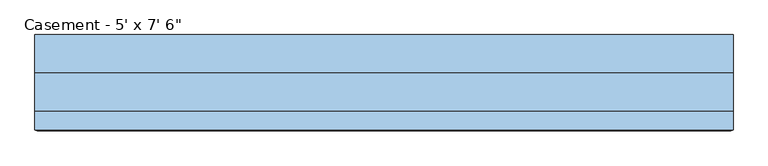
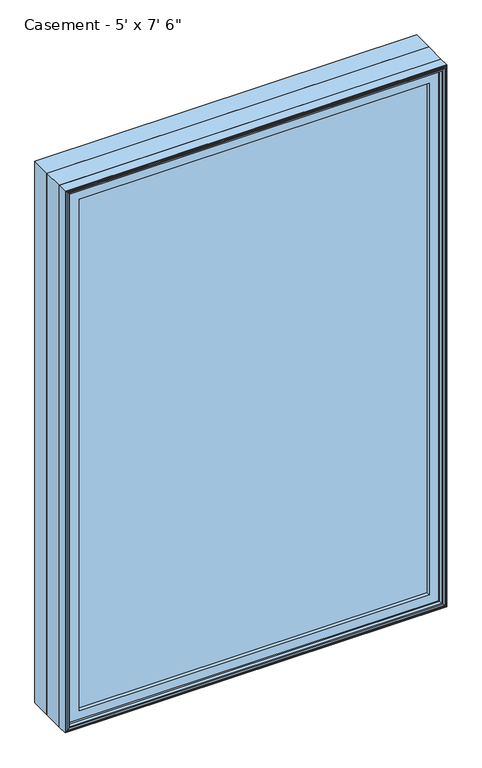
"""IFC4 building model written with IfcOpenShell, lengths in millimetres: window geometry."""

from ifc_helpers import new_model, si_unit, frame, origin, place, context, project, spatial, polyline, outline, extrude, faceted_brep, source, transform, mapped, element, save


def window_e8a8de13(model_context):
    return source(origin(), model_context, "Body", "SolidModel", [
        extrude(outline(polyline([(710.009375, -74.0770729), (710.009375, -91.5395729), (-709.9849783, -91.5395729), (-709.9849783, -74.0770729), (710.009375, -74.0770729)])), frame((0.0, 0.0, 971.5119), z_axis=(0.0, 0.0, 1.0), x_axis=(1.0, 0.0, 0.0)), (0.0, 0.0, 1.0), 2171.7762),
        extrude(outline(polyline([(3200.4, -762.0), (914.4, -762.0), (914.4, 762.0), (3200.4, 762.0), (3200.4, -762.0)]), holes=[polyline([(930.275, -746.125), (3184.525, -746.125), (3184.525, 746.125), (930.275, 746.125), (930.275, -746.125)])]), frame((0.0, 6.1515625, 0.0), z_axis=(0.0, 1.0, 0.0), x_axis=(0.0, 0.0, 1.0)), (0.0, 0.0, 1.0), 82.7484375),
        faceted_brep([(-709.9849783, -74.0770729, 966.4150217), (-709.9849783, -74.0770729, 3148.3849783), (-709.9849783, -91.5395729, 3148.3849783), (-709.9849783, -91.5395729, 966.4150217), (-698.3015625, -72.8793953, 978.0984375), (-698.3015625, -72.8793953, 3136.7015625), (-698.3015625, -74.0770729, 3136.7015625), (-698.3015625, -74.0770729, 978.0984375), (-701.0498111, -59.9499024, 975.3501889), (-701.0498111, -59.9499024, 3139.4498111), (-729.0341084, -91.5395729, 947.3658916), (-729.0341084, -91.5395729, 3167.4341084), (-729.0341084, -59.9499024, 3167.4341084), (-729.0341084, -59.9499024, 947.3658916), (709.9849783, -74.0770729, 3148.3849783), (709.9849783, -91.5395729, 3148.3849783), (698.3015625, -72.8793953, 3136.7015625), (698.3015625, -74.0770729, 3136.7015625), (701.0498111, -59.9499024, 3139.4498111), (729.0341084, -91.5395729, 3167.4341084), (729.0341084, -59.9499024, 3167.4341084), (709.9849783, -74.0770729, 966.4150217), (709.9849783, -91.5395729, 966.4150217), (698.3015625, -72.8793953, 978.0984375), (698.3015625, -74.0770729, 978.0984375), (701.0498111, -59.9499024, 975.3501889), (729.0341084, -91.5395729, 947.3658916), (729.0341084, -59.9499024, 947.3658916)], [[[0, 1, 2, 3]], [[4, 5, 6, 7]], [[8, 9, 5, 4]], [[10, 11, 12, 13]], [[1, 14, 15, 2]], [[5, 16, 17, 6]], [[9, 18, 16, 5]], [[11, 19, 20, 12]], [[14, 21, 22, 15]], [[16, 23, 24, 17]], [[18, 25, 23, 16]], [[19, 26, 27, 20]], [[11, 10, 26, 19], [3, 2, 15, 22]], [[21, 0, 3, 22]], [[1, 0, 21, 14], [7, 6, 17, 24]], [[23, 4, 7, 24]], [[25, 8, 4, 23]], [[13, 12, 20, 27], [9, 8, 25, 18]], [[26, 10, 13, 27]]]),
        extrude(outline(polyline([(3173.5033048, -735.1033048), (941.2966952, -735.1033048), (941.2966952, 735.1033048), (3173.5033048, 735.1033048), (3173.5033048, -735.1033048)]), holes=[polyline([(978.0984375, -698.3015625), (3136.7015625, -698.3015625), (3136.7015625, 698.3015625), (978.0984375, 698.3015625), (978.0984375, -698.3015625)])]), frame((0.0, -106.9883505, 0.0), z_axis=(0.0, 1.0, 0.0), x_axis=(0.0, 0.0, 1.0)), (0.0, 0.0, 1.0), 15.4487776),
        faceted_brep([(-747.4220166, -119.2736375, 928.9779834), (-747.4220166, -119.2736375, 3185.8220166), (-752.755345, -120.8484375, 3191.155345), (-752.755345, -120.8484375, 923.644655), (-742.5526868, -104.4927591, 933.8473132), (-742.5526868, -104.4927591, 3180.9526868), (-742.5526868, -119.2736375, 3180.9526868), (-742.5526868, -119.2736375, 933.8473132), (-741.3244, -90.3195591, 935.0756), (-741.3244, -90.3195591, 3179.7244), (-741.3244, -79.171779, 935.0756), (-741.3244, -79.171779, 3179.7244), (-762.0, -119.6932773, 914.4), (-762.0, -119.6932773, 3200.4), (-762.0, -79.171779, 3200.4), (-762.0, -79.171779, 914.4), (-759.714, -111.1241649, 916.686), (-759.714, -111.1241649, 3198.114), (-759.714, -119.6932773, 3198.114), (-759.714, -119.6932773, 916.686), (-756.9962, -120.8484375, 919.4038), (-756.9962, -120.8484375, 3195.3962), (-756.9962, -111.1241649, 3195.3962), (-756.9962, -111.1241649, 919.4038), (747.4220166, -119.2736375, 3185.8220166), (752.755345, -120.8484375, 3191.155345), (742.5526868, -104.4927591, 3180.9526868), (742.5526868, -119.2736375, 3180.9526868), (741.3244, -90.3195591, 3179.7244), (741.3244, -79.171779, 3179.7244), (762.0, -119.6932773, 3200.4), (762.0, -79.171779, 3200.4), (759.714, -111.1241649, 3198.114), (759.714, -119.6932773, 3198.114), (756.9962, -120.8484375, 3195.3962), (756.9962, -111.1241649, 3195.3962), (747.4220166, -119.2736375, 928.9779834), (752.755345, -120.8484375, 923.644655), (742.5526868, -104.4927591, 933.8473132), (742.5526868, -119.2736375, 933.8473132), (741.3244, -90.3195591, 935.0756), (741.3244, -79.171779, 935.0756), (762.0, -119.6932773, 914.4), (762.0, -79.171779, 914.4), (759.714, -111.1241649, 916.686), (759.714, -119.6932773, 916.686), (756.9962, -120.8484375, 919.4038), (756.9962, -111.1241649, 919.4038)], [[[0, 1, 2, 3]], [[4, 5, 6, 7]], [[8, 9, 5, 4]], [[10, 11, 9, 8]], [[12, 13, 14, 15]], [[16, 17, 18, 19]], [[20, 21, 22, 23]], [[1, 24, 25, 2]], [[5, 26, 27, 6]], [[9, 28, 26, 5]], [[11, 29, 28, 9]], [[13, 30, 31, 14]], [[17, 32, 33, 18]], [[21, 34, 35, 22]], [[24, 36, 37, 25]], [[26, 38, 39, 27]], [[28, 40, 38, 26]], [[29, 41, 40, 28]], [[30, 42, 43, 31]], [[32, 44, 45, 33]], [[34, 46, 47, 35]], [[36, 0, 3, 37]], [[1, 0, 36, 24], [7, 6, 27, 39]], [[38, 4, 7, 39]], [[40, 8, 4, 38]], [[41, 10, 8, 40]], [[15, 14, 31, 43], [11, 10, 41, 29]], [[42, 12, 15, 43]], [[13, 12, 42, 30], [19, 18, 33, 45]], [[44, 16, 19, 45]], [[17, 16, 44, 32], [23, 22, 35, 47]], [[46, 20, 23, 47]], [[21, 20, 46, 34], [3, 2, 25, 37]]]),
        faceted_brep([(-762.0, -79.171779, 914.4), (-762.0, -79.171779, 3200.4), (-762.0, 6.1515625, 3200.4), (-762.0, 6.1515625, 914.4), (-742.3404, -66.7563278, 934.0596), (-742.3404, -66.7563278, 3180.7404), (-742.3404, -79.171779, 3180.7404), (-742.3404, -79.171779, 934.0596), (-735.8634, -59.7093984, 940.5366), (-735.8634, -59.7093984, 3174.2634), (-735.8634, -66.7563278, 3174.2634), (-735.8634, -66.7563278, 940.5366), (-714.375, -39.9279649, 962.025), (-714.375, -39.9279649, 3152.775), (-714.375, -59.7093984, 3152.775), (-714.375, -59.7093984, 962.025), (-718.3374, -10.9227338, 958.0626), (-718.3374, -10.9227338, 3156.7374), (-718.3374, -39.9279649, 3156.7374), (-718.3374, -39.9279649, 958.0626), (762.0, -79.171779, 3200.4), (762.0, 6.1515625, 3200.4), (742.3404, -66.7563278, 3180.7404), (742.3404, -79.171779, 3180.7404), (735.8634, -59.7093984, 3174.2634), (735.8634, -66.7563278, 3174.2634), (714.375, -39.9279649, 3152.775), (714.375, -59.7093984, 3152.775), (718.3374, -10.9227338, 3156.7374), (718.3374, -39.9279649, 3156.7374), (762.0, -79.171779, 914.4), (762.0, 6.1515625, 914.4), (742.3404, -66.7563278, 934.0596), (742.3404, -79.171779, 934.0596), (735.8634, -59.7093984, 940.5366), (735.8634, -66.7563278, 940.5366), (714.375, -39.9279649, 962.025), (714.375, -59.7093984, 962.025), (718.3374, -10.9227338, 958.0626), (718.3374, -39.9279649, 958.0626), (-739.7761112, 6.1515625, 3178.1761112), (-739.7761112, 6.1515625, 936.6238888), (739.7761112, 6.1515625, 936.6238888), (739.7761112, 6.1515625, 3178.1761112), (-739.7761112, -10.9227338, 936.6238888), (-739.7761112, -10.9227338, 3178.1761112), (739.7761112, -10.9227338, 3178.1761112), (739.7761112, -10.9227338, 936.6238888)], [[[0, 1, 2, 3]], [[4, 5, 6, 7]], [[8, 9, 10, 11]], [[12, 13, 14, 15]], [[16, 17, 18, 19]], [[1, 20, 21, 2]], [[5, 22, 23, 6]], [[9, 24, 25, 10]], [[13, 26, 27, 14]], [[17, 28, 29, 18]], [[20, 30, 31, 21]], [[22, 32, 33, 23]], [[24, 34, 35, 25]], [[26, 36, 37, 27]], [[28, 38, 39, 29]], [[3, 2, 21, 31], [40, 41, 42, 43]], [[30, 0, 3, 31]], [[1, 0, 30, 20], [7, 6, 23, 33]], [[32, 4, 7, 33]], [[5, 4, 32, 22], [11, 10, 25, 35]], [[34, 8, 11, 35]], [[9, 8, 34, 24], [15, 14, 27, 37]], [[36, 12, 15, 37]], [[19, 18, 29, 39], [13, 12, 36, 26]], [[38, 16, 19, 39]], [[44, 45, 46, 47], [17, 16, 38, 28]], [[41, 40, 45, 44]], [[40, 43, 46, 45]], [[43, 42, 47, 46]], [[42, 41, 44, 47]]]),
    ])


if __name__ == "__main__":
    model = new_model("IFC4")
    model_context = context("Model", 3, world=origin())
    ifc_project = project(units=[si_unit("LENGTHUNIT", "METRE", prefix="MILLI")], contexts=[model_context])
    site = spatial("IfcSite", under=ifc_project)
    building = spatial("IfcBuilding", under=site)
    placement = place(None, origin())
    window_shape = window_e8a8de13(model_context)
    element("IfcWindow", 1, ObjectType="Casement - 5' x 7' 6\"", at=placement, inside=building, context=model_context, shape_type="MappedRepresentation", body=[
        mapped(window_shape, transform((0.0, 0.0, 0.0), x_axis=(1.0, 0.0, 0.0), y_axis=(0.0, 1.0, 0.0), z_axis=(0.0, 0.0, 1.0))),
    ])
    save(model, "model.ifc")
